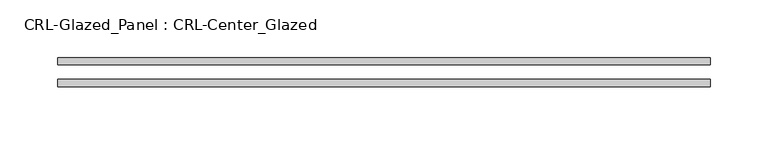
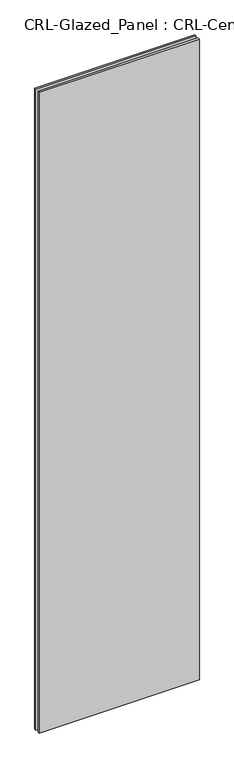
"""IFC4 building model written with IfcOpenShell, lengths in millimetres: plate geometry, CRL-Glazed_Panel : CRL-Center_Glazed."""

from ifc_helpers import new_model, si_unit, origin, origin_with_axes, place, context, project, spatial, polyline, outline, extrude, source, transform, mapped, element, save


def crl_glazed_panel_crl_center_glazed_c61b631d(model_context):
    return source(origin(), model_context, "Body", "SweptSolid", [
        extrude(outline(polyline([(283.7445844, -12.7), (-283.7445844, -12.7), (-283.7445844, -6.35), (283.7445844, -6.35), (283.7445844, -12.7)])), origin_with_axes(), (0.0, 0.0, 1.0), 2396.6435008),
        extrude(outline(polyline([(-283.7445844, 6.35), (-283.7445844, 12.7), (283.7445844, 12.7), (283.7445844, 6.35), (-283.7445844, 6.35)])), origin_with_axes(), (0.0, 0.0, 1.0), 2396.6435008),
    ])


if __name__ == "__main__":
    model = new_model("IFC4")
    model_context = context("Model", 3, world=origin())
    ifc_project = project(units=[si_unit("LENGTHUNIT", "METRE", prefix="MILLI")], contexts=[model_context])
    site = spatial("IfcSite", under=ifc_project)
    building = spatial("IfcBuilding", under=site)
    placement = place(None, origin())
    crl_glazed_panel_crl_center_glazed_shape = crl_glazed_panel_crl_center_glazed_c61b631d(model_context)
    element("IfcPlate", 1, ObjectType="CRL-Glazed_Panel : CRL-Center_Glazed", at=placement, inside=building, context=model_context, shape_type="MappedRepresentation", body=[
        mapped(crl_glazed_panel_crl_center_glazed_shape, transform((0.0, 0.0, 0.0), x_axis=(1.0, 0.0, 0.0), y_axis=(0.0, 1.0, 0.0), z_axis=(0.0, 0.0, 1.0))),
    ])
    save(model, "model.ifc")
